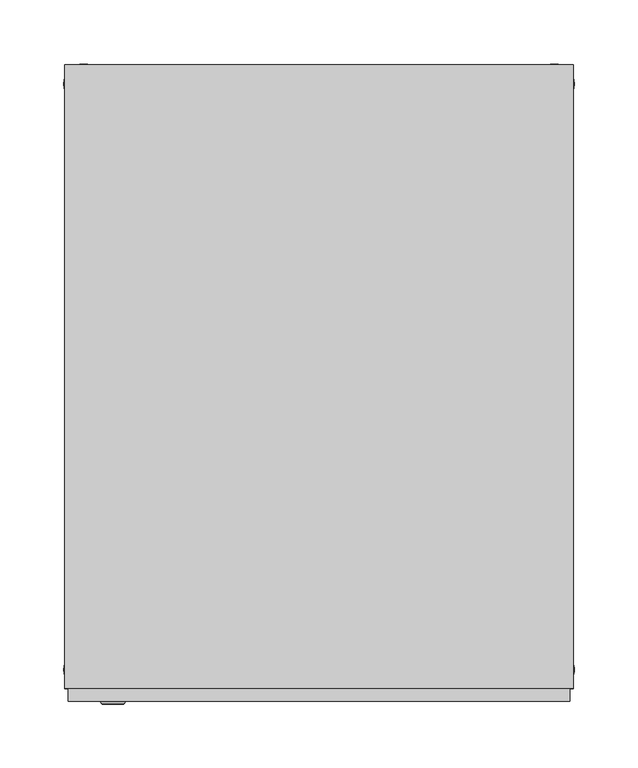
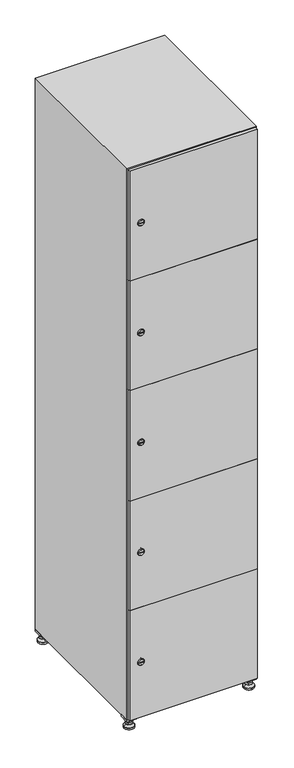
"""IFC4 building model written with IfcOpenShell, lengths in millimetres: furniture geometry."""

from ifc_helpers import new_model, si_unit, point, frame, frame_2d, origin, origin_with_axes, place, context, project, spatial, polyline, circle_curve, trimmed, segment, composite_curve, outline, extrude, faceted_brep, source, transform, mapped, element, save
from ifc_brep_helpers import plane_surface, revolved_surface, advanced_brep


def furniture_951c59ad(model_context):
    return source(origin(), model_context, "Body", "SolidModel", [
        extrude(outline(polyline([(200.0, 245.0), (200.0, 215.0), (170.0, 215.0), (170.0, 245.0), (200.0, 245.0)]), holes=[polyline([(198.0, 243.0), (172.0, 243.0), (172.0, 217.0), (198.0, 217.0), (198.0, 243.0)])]), frame((0.0, 0.0, 28.5), z_axis=(0.0, 0.0, 1.0), x_axis=(1.0, 0.0, 0.0)), (0.0, 0.0, 1.0), 6.5),
        extrude(outline(polyline([(170.0, -245.0), (170.0, -215.0), (200.0, -215.0), (200.0, -245.0), (170.0, -245.0)]), holes=[polyline([(172.0, -243.0), (198.0, -243.0), (198.0, -217.0), (172.0, -217.0), (172.0, -243.0)])]), frame((0.0, 0.0, 28.5), z_axis=(0.0, 0.0, 1.0), x_axis=(1.0, 0.0, 0.0)), (0.0, 0.0, 1.0), 6.5),
        extrude(outline(polyline([(-170.0, 245.0), (-170.0, 215.0), (-200.0, 215.0), (-200.0, 245.0), (-170.0, 245.0)]), holes=[polyline([(-172.0, 243.0), (-198.0, 243.0), (-198.0, 217.0), (-172.0, 217.0), (-172.0, 243.0)])]), frame((0.0, 0.0, 28.5), z_axis=(0.0, 0.0, 1.0), x_axis=(1.0, 0.0, 0.0)), (0.0, 0.0, 1.0), 6.5),
        extrude(outline(polyline([(-170.0, -215.0), (-170.0, -245.0), (-200.0, -245.0), (-200.0, -215.0), (-170.0, -215.0)]), holes=[polyline([(-198.0, -243.0), (-172.0, -243.0), (-172.0, -217.0), (-198.0, -217.0), (-198.0, -243.0)])]), frame((0.0, 0.0, 28.5), z_axis=(0.0, 0.0, 1.0), x_axis=(1.0, 0.0, 0.0)), (0.0, 0.0, 1.0), 6.5),
        extrude(outline(composite_curve([segment(trimmed(circle_curve(frame_2d((-185.0, 230.0)), 5.0), [point((-180.0, 230.0))], [point((-190.0, 230.0))], False, "CARTESIAN"), True, "CONTINUOUS"), segment(trimmed(circle_curve(frame_2d((-185.0, 230.0)), 5.0), [point((-190.0, 230.0))], [point((-180.0, 230.0))], False, "CARTESIAN"), True, "CONTINUOUS")], self_intersect=False)), frame((0.0, 0.0, 19.6), z_axis=(0.0, 0.0, 1.0), x_axis=(1.0, 0.0, 0.0)), (0.0, 0.0, 1.0), 15.4),
        extrude(outline(composite_curve([segment(trimmed(circle_curve(frame_2d((-185.0, -230.0)), 5.0), [point((-180.0, -230.0))], [point((-190.0, -230.0))], False, "CARTESIAN"), True, "CONTINUOUS"), segment(trimmed(circle_curve(frame_2d((-185.0, -230.0)), 5.0), [point((-190.0, -230.0))], [point((-180.0, -230.0))], False, "CARTESIAN"), True, "CONTINUOUS")], self_intersect=False)), frame((0.0, 0.0, 19.6), z_axis=(0.0, 0.0, 1.0), x_axis=(1.0, 0.0, 0.0)), (0.0, 0.0, 1.0), 15.4),
        extrude(outline(composite_curve([segment(trimmed(circle_curve(frame_2d((185.0, 230.0)), 5.0), [point((190.0, 230.0))], [point((180.0, 230.0))], False, "CARTESIAN"), True, "CONTINUOUS"), segment(trimmed(circle_curve(frame_2d((185.0, 230.0)), 5.0), [point((180.0, 230.0))], [point((190.0, 230.0))], False, "CARTESIAN"), True, "CONTINUOUS")], self_intersect=False)), frame((0.0, 0.0, 19.6), z_axis=(0.0, 0.0, 1.0), x_axis=(1.0, 0.0, 0.0)), (0.0, 0.0, 1.0), 15.4),
        extrude(outline(polyline([(173.4529946, 230.0), (179.2264973, 240.0), (190.7735027, 240.0), (196.5470054, 230.0), (190.7735027, 220.0), (179.2264973, 220.0), (173.4529946, 230.0)])), frame((0.0, 0.0, 13.6), z_axis=(0.0, 0.0, 1.0), x_axis=(1.0, 0.0, 0.0)), (0.0, 0.0, 1.0), 6.0),
        extrude(outline(composite_curve([segment(trimmed(circle_curve(frame_2d((185.0, -230.0)), 5.0), [point((190.0, -230.0))], [point((180.0, -230.0))], False, "CARTESIAN"), True, "CONTINUOUS"), segment(trimmed(circle_curve(frame_2d((185.0, -230.0)), 5.0), [point((180.0, -230.0))], [point((190.0, -230.0))], False, "CARTESIAN"), True, "CONTINUOUS")], self_intersect=False)), frame((0.0, 0.0, 19.6), z_axis=(0.0, 0.0, 1.0), x_axis=(1.0, 0.0, 0.0)), (0.0, 0.0, 1.0), 15.4),
        extrude(outline(polyline([(173.4529946, -230.0), (179.2264973, -220.0), (190.7735027, -220.0), (196.5470054, -230.0), (190.7735027, -240.0), (179.2264973, -240.0), (173.4529946, -230.0)])), frame((0.0, 0.0, 13.6), z_axis=(0.0, 0.0, 1.0), x_axis=(1.0, 0.0, 0.0)), (0.0, 0.0, 1.0), 6.0),
        extrude(outline(composite_curve([segment(trimmed(circle_curve(frame_2d((185.0, 230.0)), 5.0), [point((190.0, 230.0))], [point((180.0, 230.0))], False, "CARTESIAN"), True, "CONTINUOUS"), segment(trimmed(circle_curve(frame_2d((185.0, 230.0)), 5.0), [point((180.0, 230.0))], [point((190.0, 230.0))], False, "CARTESIAN"), True, "CONTINUOUS")], self_intersect=False)), frame((0.0, 0.0, 12.1), z_axis=(0.0, 0.0, 1.0), x_axis=(1.0, 0.0, 0.0)), (0.0, 0.0, 1.0), 1.5),
        extrude(outline(composite_curve([segment(trimmed(circle_curve(frame_2d((185.0, -230.0)), 5.0), [point((190.0, -230.0))], [point((180.0, -230.0))], False, "CARTESIAN"), True, "CONTINUOUS"), segment(trimmed(circle_curve(frame_2d((185.0, -230.0)), 5.0), [point((180.0, -230.0))], [point((190.0, -230.0))], False, "CARTESIAN"), True, "CONTINUOUS")], self_intersect=False)), frame((0.0, 0.0, 12.1), z_axis=(0.0, 0.0, 1.0), x_axis=(1.0, 0.0, 0.0)), (0.0, 0.0, 1.0), 1.5),
        extrude(outline(polyline([(-196.5470054, 230.0), (-190.7735027, 240.0), (-179.2264973, 240.0), (-173.4529946, 230.0), (-179.2264973, 220.0), (-190.7735027, 220.0), (-196.5470054, 230.0)])), frame((0.0, 0.0, 13.6), z_axis=(0.0, 0.0, 1.0), x_axis=(1.0, 0.0, 0.0)), (0.0, 0.0, 1.0), 6.0),
        extrude(outline(polyline([(-196.5470054, -230.0), (-190.7735027, -220.0), (-179.2264973, -220.0), (-173.4529946, -230.0), (-179.2264973, -240.0), (-190.7735027, -240.0), (-196.5470054, -230.0)])), frame((0.0, 0.0, 13.6), z_axis=(0.0, 0.0, 1.0), x_axis=(1.0, 0.0, 0.0)), (0.0, 0.0, 1.0), 6.0),
        extrude(outline(composite_curve([segment(trimmed(circle_curve(frame_2d((-185.0, 230.0)), 5.0), [point((-185.0, 235.0))], [point((-185.0, 225.0))], False, "CARTESIAN"), True, "CONTINUOUS"), segment(trimmed(circle_curve(frame_2d((-185.0, 230.0)), 5.0), [point((-185.0, 225.0))], [point((-185.0, 235.0))], False, "CARTESIAN"), True, "CONTINUOUS")], self_intersect=False)), frame((0.0, 0.0, 12.1), z_axis=(0.0, 0.0, 1.0), x_axis=(1.0, 0.0, 0.0)), (0.0, 0.0, 1.0), 1.5),
        extrude(outline(composite_curve([segment(trimmed(circle_curve(frame_2d((-185.0, -230.0)), 5.0), [point((-180.0, -230.0))], [point((-190.0, -230.0))], False, "CARTESIAN"), True, "CONTINUOUS"), segment(trimmed(circle_curve(frame_2d((-185.0, -230.0)), 5.0), [point((-190.0, -230.0))], [point((-180.0, -230.0))], False, "CARTESIAN"), True, "CONTINUOUS")], self_intersect=False)), frame((0.0, 0.0, 12.1), z_axis=(0.0, 0.0, 1.0), x_axis=(1.0, 0.0, 0.0)), (0.0, 0.0, 1.0), 1.5),
        extrude(outline(composite_curve([segment(trimmed(circle_curve(frame_2d((185.0, 230.0)), 15.75), [point((200.75, 230.0))], [point((169.25, 230.0))], False, "CARTESIAN"), True, "CONTINUOUS"), segment(trimmed(circle_curve(frame_2d((185.0, 230.0)), 15.75), [point((169.25, 230.0))], [point((200.75, 230.0))], False, "CARTESIAN"), True, "CONTINUOUS")], self_intersect=False)), origin_with_axes(), (0.0, 0.0, 1.0), 5.1),
        extrude(outline(composite_curve([segment(trimmed(circle_curve(frame_2d((185.0, -230.0)), 15.75), [point((185.0, -214.25))], [point((185.0, -245.75))], False, "CARTESIAN"), True, "CONTINUOUS"), segment(trimmed(circle_curve(frame_2d((185.0, -230.0)), 15.75), [point((185.0, -245.75))], [point((185.0, -214.25))], False, "CARTESIAN"), True, "CONTINUOUS")], self_intersect=False)), origin_with_axes(), (0.0, 0.0, 1.0), 5.1),
        extrude(outline(composite_curve([segment(trimmed(circle_curve(frame_2d((-185.0, -230.0)), 15.75), [point((-169.25, -230.0))], [point((-200.75, -230.0))], False, "CARTESIAN"), True, "CONTINUOUS"), segment(trimmed(circle_curve(frame_2d((-185.0, -230.0)), 15.75), [point((-200.75, -230.0))], [point((-169.25, -230.0))], False, "CARTESIAN"), True, "CONTINUOUS")], self_intersect=False)), origin_with_axes(), (0.0, 0.0, 1.0), 5.1),
        extrude(outline(composite_curve([segment(trimmed(circle_curve(frame_2d((-185.0, 230.0)), 15.75), [point((-169.25, 230.0))], [point((-200.75, 230.0))], False, "CARTESIAN"), True, "CONTINUOUS"), segment(trimmed(circle_curve(frame_2d((-185.0, 230.0)), 15.75), [point((-200.75, 230.0))], [point((-169.25, 230.0))], False, "CARTESIAN"), True, "CONTINUOUS")], self_intersect=False)), origin_with_axes(), (0.0, 0.0, 1.0), 5.1),
        advanced_brep(
        [(-185.0, 239.5, 12.1), (-185.0, 220.5, 12.1), (-185.0, 214.25, 5.1), (-185.0, 245.75, 5.1)],
        [
            (0, 1, circle_curve(frame((-185.0, 230.0, 12.1), z_axis=(0.0, 0.0, -1.0), x_axis=(0.0, 1.0, 0.0)), 9.5)),
            (1, 2),
            (2, 3, circle_curve(frame((-185.0, 230.0, 5.1), z_axis=(0.0, 0.0, 1.0), x_axis=(0.0, 1.0, 0.0)), 15.75)),
            (3, 0),
            (1, 0, circle_curve(frame((-185.0, 230.0, 12.1), z_axis=(0.0, 0.0, -1.0), x_axis=(0.0, -1.0, 0.0)), 9.5)),
            (3, 2, circle_curve(frame((-185.0, 230.0, 5.1), z_axis=(0.0, 0.0, 1.0), x_axis=(0.0, -1.0, 0.0)), 15.75)),
        ],
        [
            revolved_surface(polyline([(-185.0, 220.5, 12.099999999999998), (-185.0, 214.25, 5.099999999999998)]), (-185.0, 230.0, 22.74), (0.0, 0.0, -1.0)),
            revolved_surface(polyline([(-185.0, 239.5, 12.099999999999998), (-185.0, 245.75, 5.099999999999998)]), (-185.0, 230.0, 22.74), (0.0, 0.0, -1.0)),
            plane_surface(frame((-185.0, 230.0, 5.1), z_axis=(0.0, 0.0, -1.0), x_axis=(1.0, 0.0, 0.0))),
            plane_surface(frame((-185.0, 230.0, 12.1), z_axis=(0.0, 0.0, 1.0), x_axis=(1.0, 0.0, 0.0))),
        ],
        [
            (0, [[1, 2, 3, 4]]),
            (1, [[5, -4, 6, -2]]),
            (2, [[-3, -6]]),
            (3, [[-5, -1]]),
        ],
    ),
        advanced_brep(
        [(185.0, 239.5, 12.1), (185.0, 220.5, 12.1), (185.0, 214.25, 5.1), (185.0, 245.75, 5.1)],
        [
            (0, 1, circle_curve(frame((185.0, 230.0, 12.1), z_axis=(0.0, 0.0, -1.0), x_axis=(0.0, 1.0, 0.0)), 9.5)),
            (1, 2),
            (2, 3, circle_curve(frame((185.0, 230.0, 5.1), z_axis=(0.0, 0.0, 1.0), x_axis=(0.0, 1.0, 0.0)), 15.75)),
            (3, 0),
            (1, 0, circle_curve(frame((185.0, 230.0, 12.1), z_axis=(0.0, 0.0, -1.0), x_axis=(0.0, -1.0, 0.0)), 9.5)),
            (3, 2, circle_curve(frame((185.0, 230.0, 5.1), z_axis=(0.0, 0.0, 1.0), x_axis=(0.0, -1.0, 0.0)), 15.75)),
        ],
        [
            revolved_surface(polyline([(185.0, 220.5, 12.099999999999998), (185.0, 214.25, 5.099999999999998)]), (185.0, 230.0, 22.74), (0.0, 0.0, -1.0)),
            revolved_surface(polyline([(185.0, 239.5, 12.099999999999998), (185.0, 245.75, 5.099999999999998)]), (185.0, 230.0, 22.74), (0.0, 0.0, -1.0)),
            plane_surface(frame((185.0, 230.0, 5.1), z_axis=(0.0, 0.0, -1.0), x_axis=(1.0, 0.0, 0.0))),
            plane_surface(frame((185.0, 230.0, 12.1), z_axis=(0.0, 0.0, 1.0), x_axis=(1.0, 0.0, 0.0))),
        ],
        [
            (0, [[1, 2, 3, 4]]),
            (1, [[5, -4, 6, -2]]),
            (2, [[-3, -6]]),
            (3, [[-5, -1]]),
        ],
    ),
        advanced_brep(
        [(200.75, -230.0, 5.1), (169.25, -230.0, 5.1), (175.5, -230.0, 12.1), (194.5, -230.0, 12.1)],
        [
            (0, 1, circle_curve(frame((185.0, -230.0, 5.1), z_axis=(0.0, 0.0, 1.0), x_axis=(1.0, 0.0, 0.0)), 15.75)),
            (1, 2),
            (2, 3, circle_curve(frame((185.0, -230.0, 12.1), z_axis=(0.0, 0.0, -1.0), x_axis=(1.0, 0.0, 0.0)), 9.5)),
            (3, 0),
            (1, 0, circle_curve(frame((185.0, -230.0, 5.1), z_axis=(0.0, 0.0, 1.0), x_axis=(-1.0, 0.0, 0.0)), 15.75)),
            (3, 2, circle_curve(frame((185.0, -230.0, 12.1), z_axis=(0.0, 0.0, -1.0), x_axis=(-1.0, 0.0, 0.0)), 9.5)),
        ],
        [
            revolved_surface(polyline([(194.5, -230.0, 12.099999999999998), (200.75, -230.0, 5.099999999999998)]), (185.0, -230.0, 22.74), (0.0, 0.0, -1.0)),
            revolved_surface(polyline([(175.5, -230.0, 12.099999999999998), (169.25, -230.0, 5.099999999999998)]), (185.0, -230.0, 22.74), (0.0, 0.0, -1.0)),
            plane_surface(frame((185.0, -230.0, 12.1), z_axis=(0.0, 0.0, 1.0), x_axis=(0.0, 1.0, 0.0))),
            plane_surface(frame((185.0, -230.0, 5.1), z_axis=(0.0, 0.0, -1.0), x_axis=(0.0, 1.0, 0.0))),
        ],
        [
            (0, [[1, 2, 3, 4]]),
            (1, [[5, -4, 6, -2]]),
            (2, [[-3, -6]]),
            (3, [[-5, -1]]),
        ],
    ),
        advanced_brep(
        [(-169.25, -230.0, 5.1), (-200.75, -230.0, 5.1), (-194.5, -230.0, 12.1), (-175.5, -230.0, 12.1)],
        [
            (0, 1, circle_curve(frame((-185.0, -230.0, 5.1), z_axis=(0.0, 0.0, 1.0), x_axis=(1.0, 0.0, 0.0)), 15.75)),
            (1, 2),
            (2, 3, circle_curve(frame((-185.0, -230.0, 12.1), z_axis=(0.0, 0.0, -1.0), x_axis=(1.0, 0.0, 0.0)), 9.5)),
            (3, 0),
            (1, 0, circle_curve(frame((-185.0, -230.0, 5.1), z_axis=(0.0, 0.0, 1.0), x_axis=(-1.0, 0.0, 0.0)), 15.75)),
            (3, 2, circle_curve(frame((-185.0, -230.0, 12.1), z_axis=(0.0, 0.0, -1.0), x_axis=(-1.0, 0.0, 0.0)), 9.5)),
        ],
        [
            revolved_surface(polyline([(-175.5, -230.0, 12.099999999999998), (-169.25, -230.0, 5.099999999999998)]), (-185.0, -230.0, 22.74), (0.0, 0.0, -1.0)),
            revolved_surface(polyline([(-194.5, -230.0, 12.099999999999998), (-200.75, -230.0, 5.099999999999998)]), (-185.0, -230.0, 22.74), (0.0, 0.0, -1.0)),
            plane_surface(frame((-185.0, -230.0, 12.1), z_axis=(0.0, 0.0, 1.0), x_axis=(0.0, 1.0, 0.0))),
            plane_surface(frame((-185.0, -230.0, 5.1), z_axis=(0.0, 0.0, -1.0), x_axis=(0.0, 1.0, 0.0))),
        ],
        [
            (0, [[1, 2, 3, 4]]),
            (1, [[5, -4, 6, -2]]),
            (2, [[-3, -6]]),
            (3, [[-5, -1]]),
        ],
    ),
        extrude(outline(composite_curve([segment(trimmed(circle_curve(frame_2d((217.4, -188.7989466)), 7.0), [point((224.4, -188.7989466))], [point((210.4, -188.7989466))], False, "CARTESIAN"), True, "CONTINUOUS"), segment(polyline([(210.4, -188.7989466), (210.4, -160.7989466)]), True, "CONTINUOUS"), segment(trimmed(circle_curve(frame_2d((217.4, -160.7989466)), 7.0), [point((210.4, -160.7989466))], [point((224.4, -160.7989466))], False, "CARTESIAN"), True, "CONTINUOUS"), segment(polyline([(224.4, -160.7989466), (224.4, -188.7989466)]), True, "CONTINUOUS")], self_intersect=False)), frame((0.0, -245.0, 0.0), z_axis=(0.0, 1.0, 0.0), x_axis=(0.0, 0.0, 1.0)), (0.0, 0.0, 1.0), 2.0),
        advanced_brep(
        [(-153.5, -257.2, 217.4), (-170.5, -257.2, 217.4), (-167.0, -257.2, 216.15), (-167.0, -257.2, 218.65), (-157.0, -257.2, 218.65), (-157.0, -257.2, 216.15), (-151.5, -255.0, 217.4), (-172.5, -255.0, 217.4), (-167.0, -255.0, 218.65), (-167.0, -255.0, 216.15), (-157.0, -255.0, 216.15), (-157.0, -255.0, 218.65)],
        [
            (0, 1, circle_curve(frame((-162.0, -257.2, 217.4), z_axis=(0.0, -1.0, 0.0), x_axis=(1.0, 0.0, 0.0)), 8.5)),
            (1, 0, circle_curve(frame((-162.0, -257.2, 217.4), z_axis=(0.0, -1.0, 0.0), x_axis=(-1.0, 0.0, 0.0)), 8.5)),
            (2, 3),
            (3, 4),
            (4, 5),
            (5, 2),
            (6, 7, circle_curve(frame((-162.0, -255.0, 217.4), z_axis=(0.0, 1.0, 0.0), x_axis=(-1.0, 0.0, 0.0)), 10.5)),
            (7, 6, circle_curve(frame((-162.0, -255.0, 217.4), z_axis=(0.0, 1.0, 0.0), x_axis=(1.0, 0.0, 0.0)), 10.5)),
            (8, 9),
            (9, 10),
            (10, 11),
            (11, 8),
            (0, 6),
            (7, 1),
            (8, 3),
            (2, 9),
            (11, 4),
            (10, 5),
        ],
        [
            plane_surface(frame((-162.0, -257.2, 217.4), z_axis=(0.0, -1.0, 0.0), x_axis=(0.0, 0.0, 1.0))),
            plane_surface(frame((-162.0, -255.0, 217.4), z_axis=(0.0, 1.0, 0.0), x_axis=(0.0, 0.0, 1.0))),
            revolved_surface(polyline([(-153.5, -257.2, 217.4), (-151.5, -255.0, 217.4)]), (-162.0, -266.55, 217.4), (0.0, 1.0, 0.0)),
            revolved_surface(polyline([(-170.5, -257.2, 217.4), (-172.5, -255.0, 217.4)]), (-162.0, -266.55, 217.4), (0.0, 1.0, 0.0)),
            plane_surface(frame((-167.0, -255.0, 216.15), z_axis=(1.0, 0.0, 0.0), x_axis=(0.0, -1.0, 0.0))),
            plane_surface(frame((-167.0, -255.0, 218.65), z_axis=(0.0, 0.0, -1.0), x_axis=(0.0, -1.0, 0.0))),
            plane_surface(frame((-157.0, -255.0, 218.65), z_axis=(-1.0, 0.0, 0.0), x_axis=(0.0, -1.0, 0.0))),
            plane_surface(frame((-157.0, -255.0, 216.15), z_axis=(0.0, 0.0, 1.0), x_axis=(0.0, -1.0, 0.0))),
        ],
        [
            (0, [[1, 2], [3, 4, 5, 6]]),
            (1, [[7, 8], [9, 10, 11, 12]]),
            (2, [[-1, 13, -8, 14]]),
            (3, [[-2, -14, -7, -13]]),
            (4, [[15, -3, 16, -9]]),
            (5, [[-15, -12, 17, -4]]),
            (6, [[-17, -11, 18, -5]]),
            (7, [[-16, -6, -18, -10]]),
        ],
    ),
        extrude(outline(composite_curve([segment(trimmed(circle_curve(frame_2d((576.2, -188.7989466)), 7.0), [point((583.2, -188.7989466))], [point((569.2, -188.7989466))], False, "CARTESIAN"), True, "CONTINUOUS"), segment(polyline([(569.2, -188.7989466), (569.2, -160.7989466)]), True, "CONTINUOUS"), segment(trimmed(circle_curve(frame_2d((576.2, -160.7989466)), 7.0), [point((569.2, -160.7989466))], [point((583.2, -160.7989466))], False, "CARTESIAN"), True, "CONTINUOUS"), segment(polyline([(583.2, -160.7989466), (583.2, -188.7989466)]), True, "CONTINUOUS")], self_intersect=False)), frame((0.0, -245.0, 0.0), z_axis=(0.0, 1.0, 0.0), x_axis=(0.0, 0.0, 1.0)), (0.0, 0.0, 1.0), 2.0),
        advanced_brep(
        [(-153.5, -257.2, 576.2), (-170.5, -257.2, 576.2), (-167.0, -257.2, 574.95), (-167.0, -257.2, 577.45), (-157.0, -257.2, 577.45), (-157.0, -257.2, 574.95), (-151.5, -255.0, 576.2), (-172.5, -255.0, 576.2), (-167.0, -255.0, 577.45), (-167.0, -255.0, 574.95), (-157.0, -255.0, 574.95), (-157.0, -255.0, 577.45)],
        [
            (0, 1, circle_curve(frame((-162.0, -257.2, 576.2), z_axis=(0.0, -1.0, 0.0), x_axis=(1.0, 0.0, 0.0)), 8.5)),
            (1, 0, circle_curve(frame((-162.0, -257.2, 576.2), z_axis=(0.0, -1.0, 0.0), x_axis=(-1.0, 0.0, 0.0)), 8.5)),
            (2, 3),
            (3, 4),
            (4, 5),
            (5, 2),
            (6, 7, circle_curve(frame((-162.0, -255.0, 576.2), z_axis=(0.0, 1.0, 0.0), x_axis=(-1.0, 0.0, 0.0)), 10.5)),
            (7, 6, circle_curve(frame((-162.0, -255.0, 576.2), z_axis=(0.0, 1.0, 0.0), x_axis=(1.0, 0.0, 0.0)), 10.5)),
            (8, 9),
            (9, 10),
            (10, 11),
            (11, 8),
            (0, 6),
            (7, 1),
            (8, 3),
            (2, 9),
            (11, 4),
            (10, 5),
        ],
        [
            plane_surface(frame((-162.0, -257.2, 576.2), z_axis=(0.0, -1.0, 0.0), x_axis=(0.0, 0.0, 1.0))),
            plane_surface(frame((-162.0, -255.0, 576.2), z_axis=(0.0, 1.0, 0.0), x_axis=(0.0, 0.0, 1.0))),
            revolved_surface(polyline([(-153.5, -257.2, 576.2), (-151.5, -255.0, 576.2)]), (-162.0, -266.55, 576.2), (0.0, 1.0, 0.0)),
            revolved_surface(polyline([(-170.5, -257.2, 576.2), (-172.5, -255.0, 576.2)]), (-162.0, -266.55, 576.2), (0.0, 1.0, 0.0)),
            plane_surface(frame((-167.0, -255.0, 574.95), z_axis=(1.0, 0.0, 0.0), x_axis=(0.0, -1.0, 0.0))),
            plane_surface(frame((-167.0, -255.0, 577.45), z_axis=(0.0, 0.0, -1.0), x_axis=(0.0, -1.0, 0.0))),
            plane_surface(frame((-157.0, -255.0, 577.45), z_axis=(-1.0, 0.0, 0.0), x_axis=(0.0, -1.0, 0.0))),
            plane_surface(frame((-157.0, -255.0, 574.95), z_axis=(0.0, 0.0, 1.0), x_axis=(0.0, -1.0, 0.0))),
        ],
        [
            (0, [[1, 2], [3, 4, 5, 6]]),
            (1, [[7, 8], [9, 10, 11, 12]]),
            (2, [[-1, 13, -8, 14]]),
            (3, [[-2, -14, -7, -13]]),
            (4, [[15, -3, 16, -9]]),
            (5, [[-15, -12, 17, -4]]),
            (6, [[-17, -11, 18, -5]]),
            (7, [[-16, -6, -18, -10]]),
        ],
    ),
        extrude(outline(composite_curve([segment(trimmed(circle_curve(frame_2d((935.0, -188.7989466)), 7.0), [point((942.0, -188.7989466))], [point((928.0, -188.7989466))], False, "CARTESIAN"), True, "CONTINUOUS"), segment(polyline([(928.0, -188.7989466), (928.0, -160.7989466)]), True, "CONTINUOUS"), segment(trimmed(circle_curve(frame_2d((935.0, -160.7989466)), 7.0), [point((928.0, -160.7989466))], [point((942.0, -160.7989466))], False, "CARTESIAN"), True, "CONTINUOUS"), segment(polyline([(942.0, -160.7989466), (942.0, -188.7989466)]), True, "CONTINUOUS")], self_intersect=False)), frame((0.0, -245.0, 0.0), z_axis=(0.0, 1.0, 0.0), x_axis=(0.0, 0.0, 1.0)), (0.0, 0.0, 1.0), 2.0),
        advanced_brep(
        [(-153.5, -257.2, 935.0), (-170.5, -257.2, 935.0), (-167.0, -257.2, 933.75), (-167.0, -257.2, 936.25), (-157.0, -257.2, 936.25), (-157.0, -257.2, 933.75), (-151.5, -255.0, 935.0), (-172.5, -255.0, 935.0), (-167.0, -255.0, 936.25), (-167.0, -255.0, 933.75), (-157.0, -255.0, 933.75), (-157.0, -255.0, 936.25)],
        [
            (0, 1, circle_curve(frame((-162.0, -257.2, 935.0), z_axis=(0.0, -1.0, 0.0), x_axis=(1.0, 0.0, 0.0)), 8.5)),
            (1, 0, circle_curve(frame((-162.0, -257.2, 935.0), z_axis=(0.0, -1.0, 0.0), x_axis=(-1.0, 0.0, 0.0)), 8.5)),
            (2, 3),
            (3, 4),
            (4, 5),
            (5, 2),
            (6, 7, circle_curve(frame((-162.0, -255.0, 935.0), z_axis=(0.0, 1.0, 0.0), x_axis=(-1.0, 0.0, 0.0)), 10.5)),
            (7, 6, circle_curve(frame((-162.0, -255.0, 935.0), z_axis=(0.0, 1.0, 0.0), x_axis=(1.0, 0.0, 0.0)), 10.5)),
            (8, 9),
            (9, 10),
            (10, 11),
            (11, 8),
            (0, 6),
            (7, 1),
            (8, 3),
            (2, 9),
            (11, 4),
            (10, 5),
        ],
        [
            plane_surface(frame((-162.0, -257.2, 935.0), z_axis=(0.0, -1.0, 0.0), x_axis=(0.0, 0.0, 1.0))),
            plane_surface(frame((-162.0, -255.0, 935.0), z_axis=(0.0, 1.0, 0.0), x_axis=(0.0, 0.0, 1.0))),
            revolved_surface(polyline([(-153.5, -257.2, 935.0), (-151.5, -255.0, 935.0)]), (-162.0, -266.55, 935.0), (0.0, 1.0, 0.0)),
            revolved_surface(polyline([(-170.5, -257.2, 935.0), (-172.5, -255.0, 935.0)]), (-162.0, -266.55, 935.0), (0.0, 1.0, 0.0)),
            plane_surface(frame((-167.0, -255.0, 933.75), z_axis=(1.0, 0.0, 0.0), x_axis=(0.0, -1.0, 0.0))),
            plane_surface(frame((-167.0, -255.0, 936.25), z_axis=(0.0, 0.0, -1.0), x_axis=(0.0, -1.0, 0.0))),
            plane_surface(frame((-157.0, -255.0, 936.25), z_axis=(-1.0, 0.0, 0.0), x_axis=(0.0, -1.0, 0.0))),
            plane_surface(frame((-157.0, -255.0, 933.75), z_axis=(0.0, 0.0, 1.0), x_axis=(0.0, -1.0, 0.0))),
        ],
        [
            (0, [[1, 2], [3, 4, 5, 6]]),
            (1, [[7, 8], [9, 10, 11, 12]]),
            (2, [[-1, 13, -8, 14]]),
            (3, [[-2, -14, -7, -13]]),
            (4, [[15, -3, 16, -9]]),
            (5, [[-15, -12, 17, -4]]),
            (6, [[-17, -11, 18, -5]]),
            (7, [[-16, -6, -18, -10]]),
        ],
    ),
        extrude(outline(composite_curve([segment(trimmed(circle_curve(frame_2d((1293.8, -188.7989466)), 7.0), [point((1300.8, -188.7989466))], [point((1286.8, -188.7989466))], False, "CARTESIAN"), True, "CONTINUOUS"), segment(polyline([(1286.8, -188.7989466), (1286.8, -160.7989466)]), True, "CONTINUOUS"), segment(trimmed(circle_curve(frame_2d((1293.8, -160.7989466)), 7.0), [point((1286.8, -160.7989466))], [point((1300.8, -160.7989466))], False, "CARTESIAN"), True, "CONTINUOUS"), segment(polyline([(1300.8, -160.7989466), (1300.8, -188.7989466)]), True, "CONTINUOUS")], self_intersect=False)), frame((0.0, -245.0, 0.0), z_axis=(0.0, 1.0, 0.0), x_axis=(0.0, 0.0, 1.0)), (0.0, 0.0, 1.0), 2.0),
        advanced_brep(
        [(-153.5, -257.2, 1293.8), (-170.5, -257.2, 1293.8), (-167.0, -257.2, 1292.55), (-167.0, -257.2, 1295.05), (-157.0, -257.2, 1295.05), (-157.0, -257.2, 1292.55), (-151.5, -255.0, 1293.8), (-172.5, -255.0, 1293.8), (-167.0, -255.0, 1295.05), (-167.0, -255.0, 1292.55), (-157.0, -255.0, 1292.55), (-157.0, -255.0, 1295.05)],
        [
            (0, 1, circle_curve(frame((-162.0, -257.2, 1293.8), z_axis=(0.0, -1.0, 0.0), x_axis=(1.0, 0.0, 0.0)), 8.5)),
            (1, 0, circle_curve(frame((-162.0, -257.2, 1293.8), z_axis=(0.0, -1.0, 0.0), x_axis=(-1.0, 0.0, 0.0)), 8.5)),
            (2, 3),
            (3, 4),
            (4, 5),
            (5, 2),
            (6, 7, circle_curve(frame((-162.0, -255.0, 1293.8), z_axis=(0.0, 1.0, 0.0), x_axis=(-1.0, 0.0, 0.0)), 10.5)),
            (7, 6, circle_curve(frame((-162.0, -255.0, 1293.8), z_axis=(0.0, 1.0, 0.0), x_axis=(1.0, 0.0, 0.0)), 10.5)),
            (8, 9),
            (9, 10),
            (10, 11),
            (11, 8),
            (0, 6),
            (7, 1),
            (8, 3),
            (2, 9),
            (11, 4),
            (10, 5),
        ],
        [
            plane_surface(frame((-162.0, -257.2, 1293.8), z_axis=(0.0, -1.0, 0.0), x_axis=(0.0, 0.0, 1.0))),
            plane_surface(frame((-162.0, -255.0, 1293.8), z_axis=(0.0, 1.0, 0.0), x_axis=(0.0, 0.0, 1.0))),
            revolved_surface(polyline([(-153.5, -257.2, 1293.8), (-151.5, -255.0, 1293.8)]), (-162.0, -266.55, 1293.8), (0.0, 1.0, 0.0)),
            revolved_surface(polyline([(-170.5, -257.2, 1293.8), (-172.5, -255.0, 1293.8)]), (-162.0, -266.55, 1293.8), (0.0, 1.0, 0.0)),
            plane_surface(frame((-167.0, -255.0, 1292.55), z_axis=(1.0, 0.0, 0.0), x_axis=(0.0, -1.0, 0.0))),
            plane_surface(frame((-167.0, -255.0, 1295.05), z_axis=(0.0, 0.0, -1.0), x_axis=(0.0, -1.0, 0.0))),
            plane_surface(frame((-157.0, -255.0, 1295.05), z_axis=(-1.0, 0.0, 0.0), x_axis=(0.0, -1.0, 0.0))),
            plane_surface(frame((-157.0, -255.0, 1292.55), z_axis=(0.0, 0.0, 1.0), x_axis=(0.0, -1.0, 0.0))),
        ],
        [
            (0, [[1, 2], [3, 4, 5, 6]]),
            (1, [[7, 8], [9, 10, 11, 12]]),
            (2, [[-1, 13, -8, 14]]),
            (3, [[-2, -14, -7, -13]]),
            (4, [[15, -3, 16, -9]]),
            (5, [[-15, -12, 17, -4]]),
            (6, [[-17, -11, 18, -5]]),
            (7, [[-16, -6, -18, -10]]),
        ],
    ),
        extrude(outline(composite_curve([segment(trimmed(circle_curve(frame_2d((1652.6, -188.7989466)), 7.0), [point((1659.6, -188.7989466))], [point((1645.6, -188.7989466))], False, "CARTESIAN"), True, "CONTINUOUS"), segment(polyline([(1645.6, -188.7989466), (1645.6, -160.7989466)]), True, "CONTINUOUS"), segment(trimmed(circle_curve(frame_2d((1652.6, -160.7989466)), 7.0), [point((1645.6, -160.7989466))], [point((1659.6, -160.7989466))], False, "CARTESIAN"), True, "CONTINUOUS"), segment(polyline([(1659.6, -160.7989466), (1659.6, -188.7989466)]), True, "CONTINUOUS")], self_intersect=False)), frame((0.0, -245.0, 0.0), z_axis=(0.0, 1.0, 0.0), x_axis=(0.0, 0.0, 1.0)), (0.0, 0.0, 1.0), 2.0),
        advanced_brep(
        [(-153.5, -257.2, 1652.6), (-170.5, -257.2, 1652.6), (-167.0, -257.2, 1651.35), (-167.0, -257.2, 1653.85), (-157.0, -257.2, 1653.85), (-157.0, -257.2, 1651.35), (-151.5, -255.0, 1652.6), (-172.5, -255.0, 1652.6), (-167.0, -255.0, 1653.85), (-167.0, -255.0, 1651.35), (-157.0, -255.0, 1651.35), (-157.0, -255.0, 1653.85)],
        [
            (0, 1, circle_curve(frame((-162.0, -257.2, 1652.6), z_axis=(0.0, -1.0, 0.0), x_axis=(1.0, 0.0, 0.0)), 8.5)),
            (1, 0, circle_curve(frame((-162.0, -257.2, 1652.6), z_axis=(0.0, -1.0, 0.0), x_axis=(-1.0, 0.0, 0.0)), 8.5)),
            (2, 3),
            (3, 4),
            (4, 5),
            (5, 2),
            (6, 7, circle_curve(frame((-162.0, -255.0, 1652.6), z_axis=(0.0, 1.0, 0.0), x_axis=(-1.0, 0.0, 0.0)), 10.5)),
            (7, 6, circle_curve(frame((-162.0, -255.0, 1652.6), z_axis=(0.0, 1.0, 0.0), x_axis=(1.0, 0.0, 0.0)), 10.5)),
            (8, 9),
            (9, 10),
            (10, 11),
            (11, 8),
            (0, 6),
            (7, 1),
            (8, 3),
            (2, 9),
            (11, 4),
            (10, 5),
        ],
        [
            plane_surface(frame((-162.0, -257.2, 1652.6), z_axis=(0.0, -1.0, 0.0), x_axis=(0.0, 0.0, 1.0))),
            plane_surface(frame((-162.0, -255.0, 1652.6), z_axis=(0.0, 1.0, 0.0), x_axis=(0.0, 0.0, 1.0))),
            revolved_surface(polyline([(-153.5, -257.2, 1652.6), (-151.5, -255.0, 1652.6)]), (-162.0, -266.55, 1652.6), (0.0, 1.0, 0.0)),
            revolved_surface(polyline([(-170.5, -257.2, 1652.6), (-172.5, -255.0, 1652.6)]), (-162.0, -266.55, 1652.6), (0.0, 1.0, 0.0)),
            plane_surface(frame((-167.0, -255.0, 1651.35), z_axis=(1.0, 0.0, 0.0), x_axis=(0.0, -1.0, 0.0))),
            plane_surface(frame((-167.0, -255.0, 1653.85), z_axis=(0.0, 0.0, -1.0), x_axis=(0.0, -1.0, 0.0))),
            plane_surface(frame((-157.0, -255.0, 1653.85), z_axis=(-1.0, 0.0, 0.0), x_axis=(0.0, -1.0, 0.0))),
            plane_surface(frame((-157.0, -255.0, 1651.35), z_axis=(0.0, 0.0, 1.0), x_axis=(0.0, -1.0, 0.0))),
        ],
        [
            (0, [[1, 2], [3, 4, 5, 6]]),
            (1, [[7, 8], [9, 10, 11, 12]]),
            (2, [[-1, 13, -8, 14]]),
            (3, [[-2, -14, -7, -13]]),
            (4, [[15, -3, 16, -9]]),
            (5, [[-15, -12, 17, -4]]),
            (6, [[-17, -11, 18, -5]]),
            (7, [[-16, -6, -18, -10]]),
        ],
    ),
        extrude(outline(polyline([(197.0, -245.0), (197.0, -255.0), (-197.0, -255.0), (-197.0, -245.0), (197.0, -245.0)])), frame((0.0, 0.0, 755.1), z_axis=(0.0, 0.0, 1.0), x_axis=(1.0, 0.0, 0.0)), (0.0, 0.0, 1.0), 359.8),
        extrude(outline(polyline([(197.0, -245.0), (197.0, -255.0), (-197.0, -255.0), (-197.0, -245.0), (197.0, -245.0)])), frame((0.0, 0.0, 396.3), z_axis=(0.0, 0.0, 1.0), x_axis=(1.0, 0.0, 0.0)), (0.0, 0.0, 1.0), 359.8),
        extrude(outline(polyline([(197.0, -245.0), (197.0, -255.0), (-197.0, -255.0), (-197.0, -245.0), (197.0, -245.0)])), frame((0.0, 0.0, 1113.9), z_axis=(0.0, 0.0, 1.0), x_axis=(1.0, 0.0, 0.0)), (0.0, 0.0, 1.0), 358.8),
        extrude(outline(polyline([(-197.0, -255.0), (-197.0, -245.0), (197.0, -245.0), (197.0, -255.0), (-197.0, -255.0)])), frame((0.0, 0.0, 1473.7), z_axis=(0.0, 0.0, 1.0), x_axis=(1.0, 0.0, 0.0)), (0.0, 0.0, 1.0), 358.3),
        extrude(outline(polyline([(197.0, -245.0), (197.0, -255.0), (-197.0, -255.0), (-197.0, -245.0), (197.0, -245.0)])), frame((0.0, 0.0, 38.0), z_axis=(0.0, 0.0, 1.0), x_axis=(1.0, 0.0, 0.0)), (0.0, 0.0, 1.0), 359.3),
        extrude(outline(polyline([(179.6, 242.0), (179.6, -235.0), (-179.6, -235.0), (-179.6, 242.0), (179.6, 242.0)])), frame((0.0, 0.0, 1446.68), z_axis=(0.0, 0.0, 1.0), x_axis=(1.0, 0.0, 0.0)), (0.0, 0.0, 1.0), 20.4),
        extrude(outline(polyline([(179.6, 242.0), (179.6, -235.0), (-179.6, -235.0), (-179.6, 242.0), (179.6, 242.0)])), frame((0.0, 0.0, 1098.76), z_axis=(0.0, 0.0, 1.0), x_axis=(1.0, 0.0, 0.0)), (0.0, 0.0, 1.0), 20.4),
        extrude(outline(polyline([(179.6, 242.0), (179.6, -235.0), (-179.6, -235.0), (-179.6, 242.0), (179.6, 242.0)])), frame((0.0, 0.0, 750.84), z_axis=(0.0, 0.0, 1.0), x_axis=(1.0, 0.0, 0.0)), (0.0, 0.0, 1.0), 20.4),
        extrude(outline(polyline([(-179.6, 242.0), (179.6, 242.0), (179.6, -235.0), (-179.6, -235.0), (-179.6, 242.0)])), frame((0.0, 0.0, 402.92), z_axis=(0.0, 0.0, 1.0), x_axis=(1.0, 0.0, 0.0)), (0.0, 0.0, 1.0), 20.4),
        faceted_brep([(200.0, -245.0, 35.0), (200.0, -245.0, 1835.0), (-200.0, -245.0, 1835.0), (-200.0, -245.0, 35.0), (179.6, -245.0, 1804.8), (179.6, -245.0, 65.2), (-179.6, -245.0, 65.2), (-179.6, -245.0, 1804.8), (200.0, 245.0, 35.0), (-200.0, 245.0, 35.0), (200.0, 245.0, 1835.0), (-200.0, 245.0, 1835.0), (179.6, 242.0, 1804.8), (179.6, 242.0, 65.2), (-200.0, 245.0, 1804.8), (-179.6, 242.0, 1804.8), (-179.6, 242.0, 65.2)], [[[0, 1, 2, 3], [4, 5, 6, 7]], [[8, 0, 3, 9]], [[1, 0, 8, 10]], [[1, 10, 11, 2]], [[4, 12, 13, 5]], [[9, 3, 2, 11, 14]], [[10, 8, 9, 14, 11]], [[12, 15, 16, 13]], [[15, 7, 6, 16]], [[4, 7, 15, 12]], [[6, 5, 13, 16]]]),
    ])


if __name__ == "__main__":
    model = new_model("IFC4")
    model_context = context("Model", 3, world=origin())
    ifc_project = project(units=[si_unit("LENGTHUNIT", "METRE", prefix="MILLI")], contexts=[model_context])
    site = spatial("IfcSite", under=ifc_project)
    building = spatial("IfcBuilding", under=site)
    placement = place(None, origin())
    furniture_shape = furniture_951c59ad(model_context)
    element("IfcFurniture", 1, at=placement, inside=building, context=model_context, shape_type="MappedRepresentation", body=[
        mapped(furniture_shape, transform((0.0, 0.0, 0.0), x_axis=(1.0, 0.0, 0.0), y_axis=(0.0, 1.0, 0.0), z_axis=(0.0, 0.0, 1.0))),
    ])
    save(model, "model.ifc")
